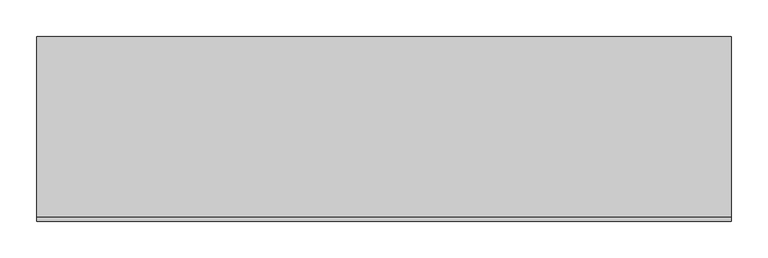
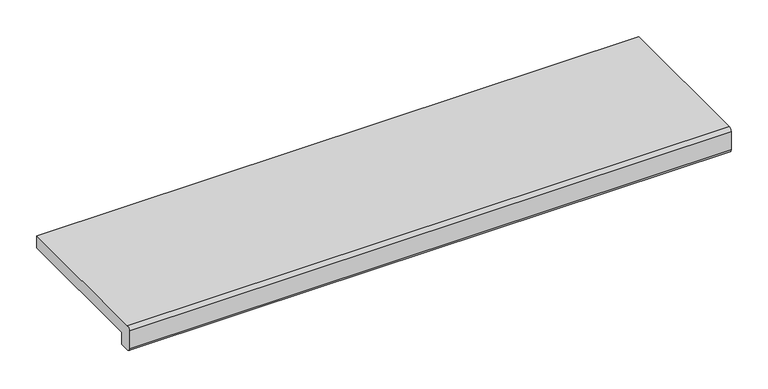
"""IFC4 building model written with IfcOpenShell, lengths in millimetres: proxy geometry."""

from ifc_helpers import new_model, si_unit, point, frame, frame_2d, origin, place, context, project, spatial, polyline, circle_curve, trimmed, segment, composite_curve, outline, extrude, source, transform, mapped, element, save


def generic_models_fd0fc34e(model_context):
    return source(origin(), model_context, "Body", "SweptSolid", [
        extrude(outline(composite_curve([segment(polyline([(-245.0, 30.0), (0.0, 30.0), (0.0, 10.0), (-230.0, 10.0), (-230.0, -10.0), (-245.0, -10.0)]), True, "CONTINUOUS"), segment(trimmed(circle_curve(frame_2d((-245.0, -5.0)), 5.0), [point((-245.0, -10.0))], [point((-250.0, -5.0))], False, "CARTESIAN"), True, "CONTINUOUS"), segment(polyline([(-250.0, -5.0), (-250.0, 25.0)]), True, "CONTINUOUS"), segment(trimmed(circle_curve(frame_2d((-245.0, 25.0)), 5.0), [point((-250.0, 25.0))], [point((-245.0, 30.0))], False, "CARTESIAN"), True, "CONTINUOUS")], self_intersect=False)), frame((-470.0, 0.0, 0.0), z_axis=(1.0, 0.0, 0.0), x_axis=(0.0, 1.0, 0.0)), (0.0, 0.0, 1.0), 940.0),
    ])


if __name__ == "__main__":
    model = new_model("IFC4")
    model_context = context("Model", 3, world=origin())
    ifc_project = project(units=[si_unit("LENGTHUNIT", "METRE", prefix="MILLI")], contexts=[model_context])
    site = spatial("IfcSite", under=ifc_project)
    building = spatial("IfcBuilding", under=site)
    placement = place(None, origin())
    generic_models_shape = generic_models_fd0fc34e(model_context)
    element("IfcBuildingElementProxy", 1, Name="Generic Models", at=placement, inside=building, context=model_context, shape_type="MappedRepresentation", body=[
        mapped(generic_models_shape, transform((0.0, 0.0, 0.0), x_axis=(1.0, 0.0, 0.0), y_axis=(0.0, 1.0, 0.0), z_axis=(0.0, 0.0, 1.0))),
    ])
    save(model, "model.ifc")
